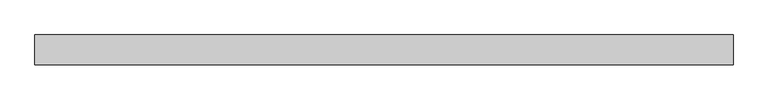
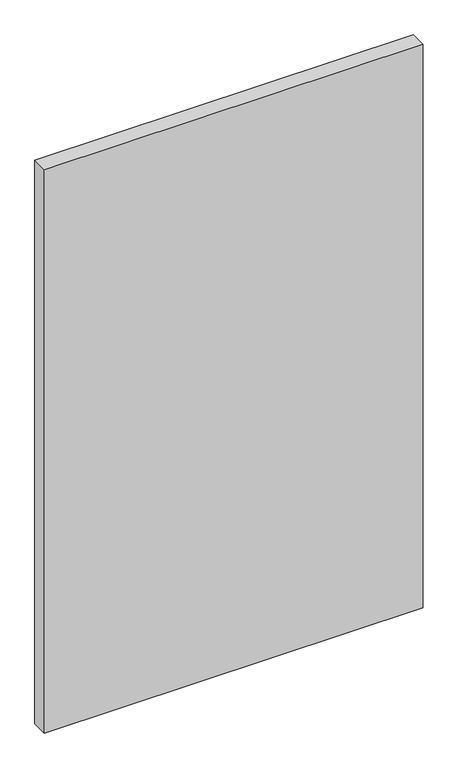
"""IFC4 building model written with IfcOpenShell, lengths in millimetres: proxy geometry."""

from ifc_helpers import new_model, si_unit, origin, origin_with_axes, place, context, project, spatial, polyline, outline, extrude, source, transform, mapped, element, save


def generic_models_ea46bc54(model_context):
    return source(origin(), model_context, "Body", "SweptSolid", [
        extrude(outline(polyline([(795.0, 0.0), (-795.0, 0.0), (-795.0, 68.0), (795.0, 68.0), (795.0, 0.0)])), origin_with_axes(), (0.0, 0.0, 1.0), 2500.0),
    ])


if __name__ == "__main__":
    model = new_model("IFC4")
    model_context = context("Model", 3, world=origin())
    ifc_project = project(units=[si_unit("LENGTHUNIT", "METRE", prefix="MILLI")], contexts=[model_context])
    site = spatial("IfcSite", under=ifc_project)
    building = spatial("IfcBuilding", under=site)
    placement = place(None, origin())
    generic_models_shape = generic_models_ea46bc54(model_context)
    element("IfcBuildingElementProxy", 1, Name="Generic Models", at=placement, inside=building, context=model_context, shape_type="MappedRepresentation", body=[
        mapped(generic_models_shape, transform((0.0, 0.0, 0.0), x_axis=(1.0, 0.0, 0.0), y_axis=(0.0, 1.0, 0.0), z_axis=(0.0, 0.0, 1.0))),
    ])
    save(model, "model.ifc")
